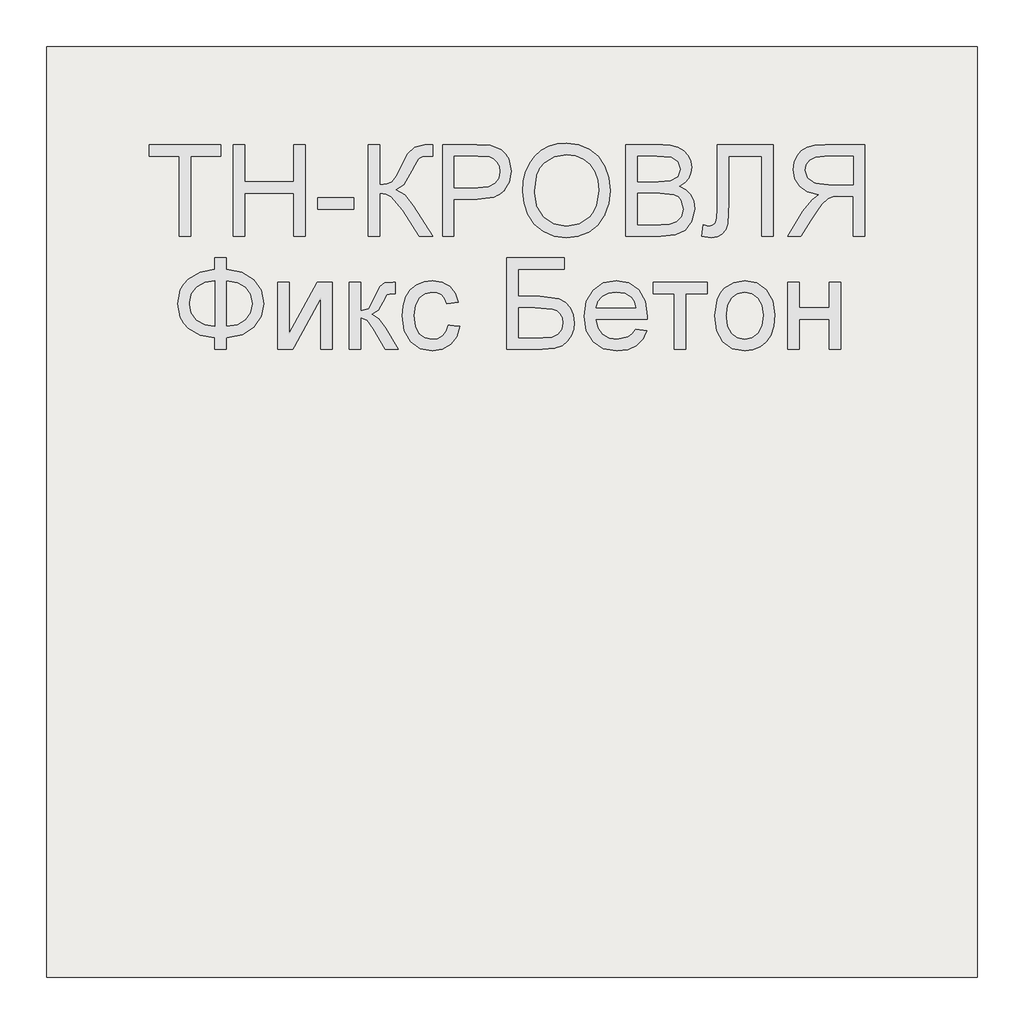
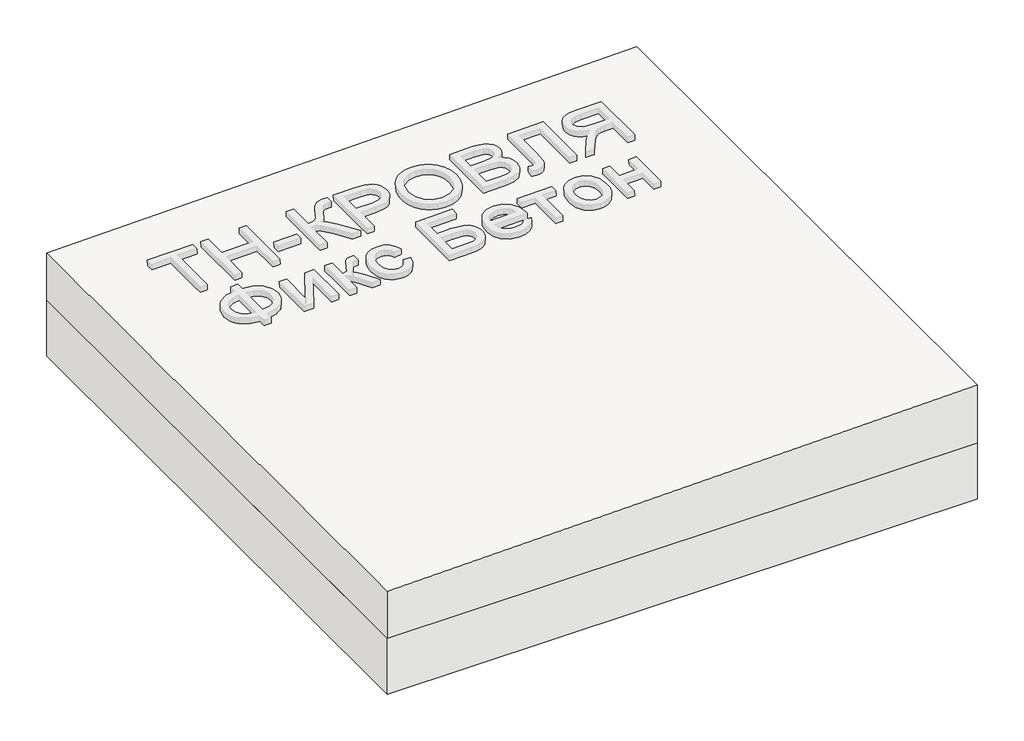
# One storey, part 1 of 3: 1 roof, 1 slab.
"""IFC4 building model written with IfcOpenShell, lengths in millimetres."""

from ifc_helpers import new_model, si_unit, frame, origin, place, context, project, spatial, polyline, outline, extrude, element, save

model = new_model("IFC4")

# Units and contexts
model_context = context("Model", 3, world=origin())
ifc_project = project(units=[si_unit("LENGTHUNIT", "METRE", prefix="MILLI")], contexts=[model_context])

# Site, building, storey
site = spatial("IfcSite", under=ifc_project)
building = spatial("IfcBuilding", under=site)
storey = spatial("IfcBuildingStorey", under=building, Elevation=0.0)

# Roof
placement = place(None, origin())
element("IfcRoof", 1, at=placement, inside=storey, context=model_context, shape_type="SweptSolid", body=[
    extrude(outline(polyline([(169.0, 45706.3955952), (0.0, 45706.3955952), (0.0, 47706.3955952), (209.0, 47706.3955952), (169.0, 45706.3955952)])), frame((0.0, -6302.6148653, 0.0), z_axis=(0.0, 1.0, 0.0), x_axis=(0.0, 0.0, 1.0)), (0.0, 0.0, 1.0), 2000.0),
])

# Slab
element("IfcSlab", 2, at=placement, inside=storey, context=model_context, shape_type="SweptSolid", body=[
    extrude(outline(polyline([(47706.3955952, -6302.6148653), (45706.3955952, -6302.6148653), (45706.3955952, -4302.6148653), (47706.3955952, -4302.6148653), (47706.3955952, -6302.6148653)])), frame((0.0, 0.0, -200.0), z_axis=(0.0, 0.0, 1.0), x_axis=(1.0, 0.0, 0.0)), (0.0, 0.0, 1.0), 200.0),
])

save(model, "model.ifc")
